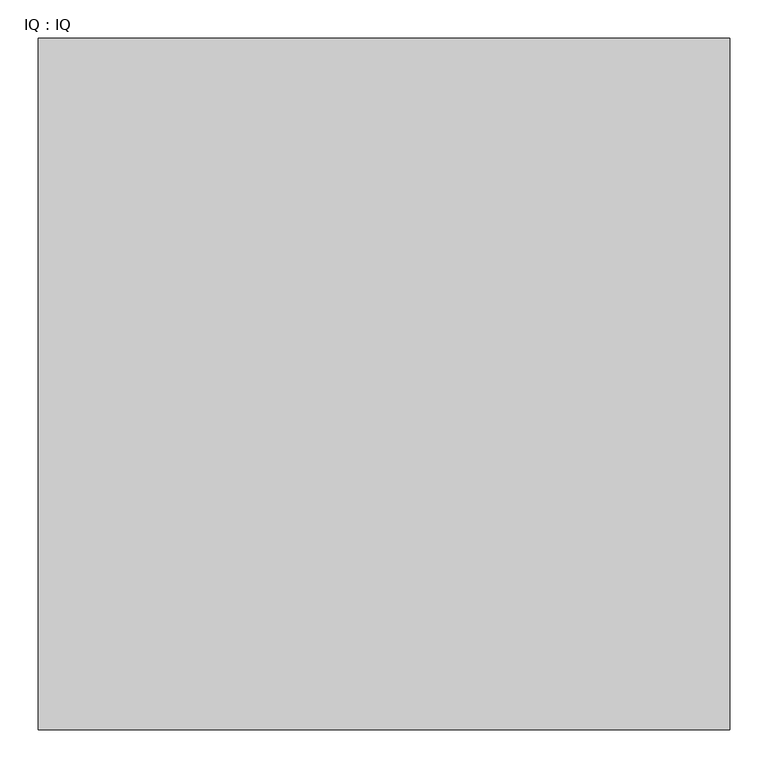
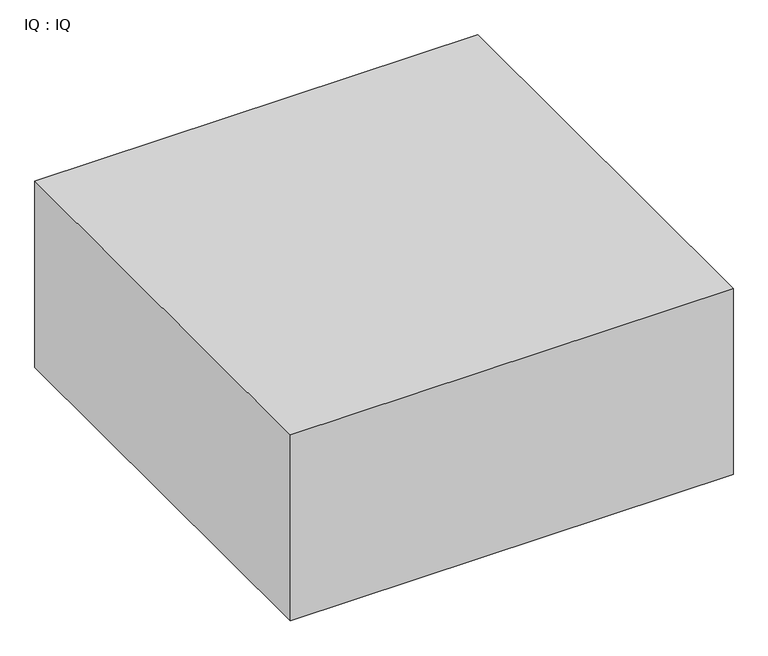
"""IFC4 building model written with IfcOpenShell, lengths in millimetres: proxy geometry, IQ : IQ."""

from ifc_helpers import new_model, si_unit, origin, origin_with_axes, place, context, project, spatial, polyline, outline, extrude, source, transform, mapped, element, save


def iq_iq_1bba0bb5(model_context):
    return source(origin(), model_context, "Body", "SweptSolid", [
        extrude(outline(polyline([(900.0, 900.0), (900.0, 0.0), (0.0, 0.0), (0.0, 900.0), (900.0, 900.0)])), origin_with_axes(), (0.0, 0.0, 1.0), 400.0),
    ])


if __name__ == "__main__":
    model = new_model("IFC4")
    model_context = context("Model", 3, world=origin())
    ifc_project = project(units=[si_unit("LENGTHUNIT", "METRE", prefix="MILLI")], contexts=[model_context])
    site = spatial("IfcSite", under=ifc_project)
    building = spatial("IfcBuilding", under=site)
    placement = place(None, origin())
    iq_iq_shape = iq_iq_1bba0bb5(model_context)
    element("IfcBuildingElementProxy", 1, Name="IQ : IQ", ObjectType="IQ : IQ", at=placement, inside=building, context=model_context, shape_type="MappedRepresentation", body=[
        mapped(iq_iq_shape, transform((0.0, 0.0, 0.0), x_axis=(1.0, 0.0, 0.0), y_axis=(0.0, 1.0, 0.0), z_axis=(0.0, 0.0, 1.0))),
    ])
    save(model, "model.ifc")
